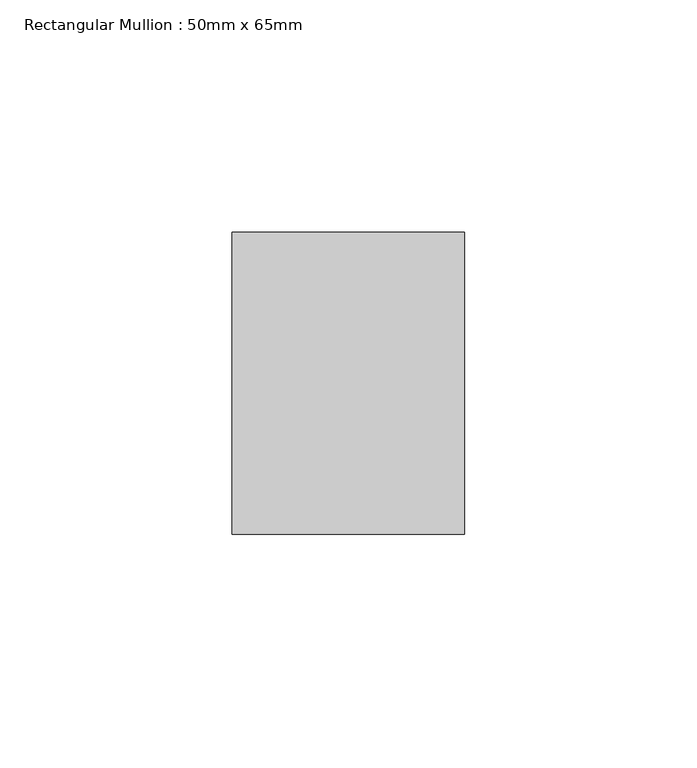
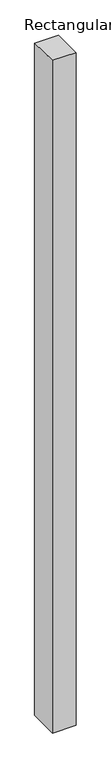
"""IFC4 building model written with IfcOpenShell, lengths in millimetres: member geometry, Rectangular Mullion : 50mm x 65mm."""

from ifc_helpers import new_model, si_unit, origin, place, context, project, spatial, faceted_brep, source, transform, mapped, element, save


def rectangular_mullion_50mm_x_65mm_0f196590(model_context):
    return source(origin(), model_context, "Body", "Brep", [
        faceted_brep([(-25.0, 32.5, -0.4073262), (25.0, 32.5, -0.4073254), (25.0, 32.5, -1499.6938439), (-25.0, 32.5, -1499.6938433), (-25.0, -32.5, 0.4073254), (-25.0, -32.5, -1500.3052901), (25.0, -32.5, 0.4073262), (25.0, -32.5, -1500.3052907)], [[[0, 1, 2, 3]], [[4, 0, 3, 5]], [[6, 4, 5, 7]], [[1, 6, 7, 2]], [[1, 0, 4, 6]], [[2, 7, 5, 3]]]),
    ])


if __name__ == "__main__":
    model = new_model("IFC4")
    model_context = context("Model", 3, world=origin())
    ifc_project = project(units=[si_unit("LENGTHUNIT", "METRE", prefix="MILLI")], contexts=[model_context])
    site = spatial("IfcSite", under=ifc_project)
    building = spatial("IfcBuilding", under=site)
    placement = place(None, origin())
    rectangular_mullion_50mm_x_65mm_shape = rectangular_mullion_50mm_x_65mm_0f196590(model_context)
    element("IfcMember", 1, ObjectType="Rectangular Mullion : 50mm x 65mm", at=placement, inside=building, context=model_context, shape_type="MappedRepresentation", body=[
        mapped(rectangular_mullion_50mm_x_65mm_shape, transform((0.0, 0.0, 0.0), x_axis=(1.0, 0.0, 0.0), y_axis=(0.0, 1.0, 0.0), z_axis=(0.0, 0.0, 1.0))),
    ])
    save(model, "model.ifc")
